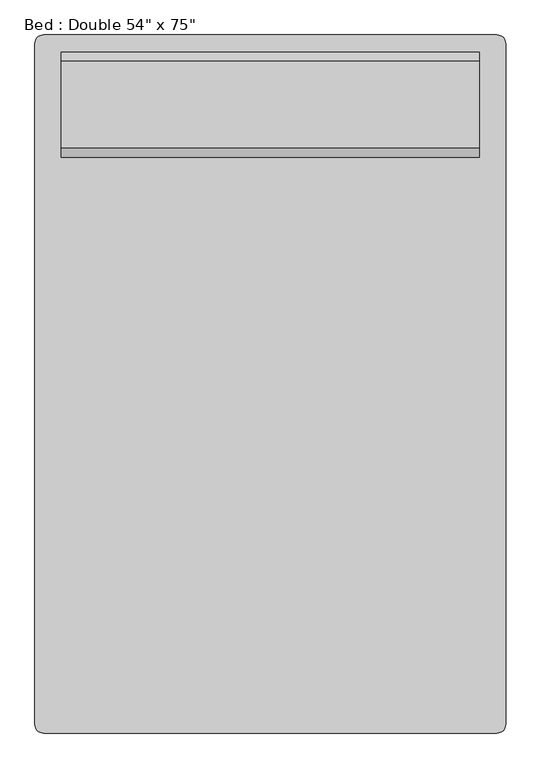
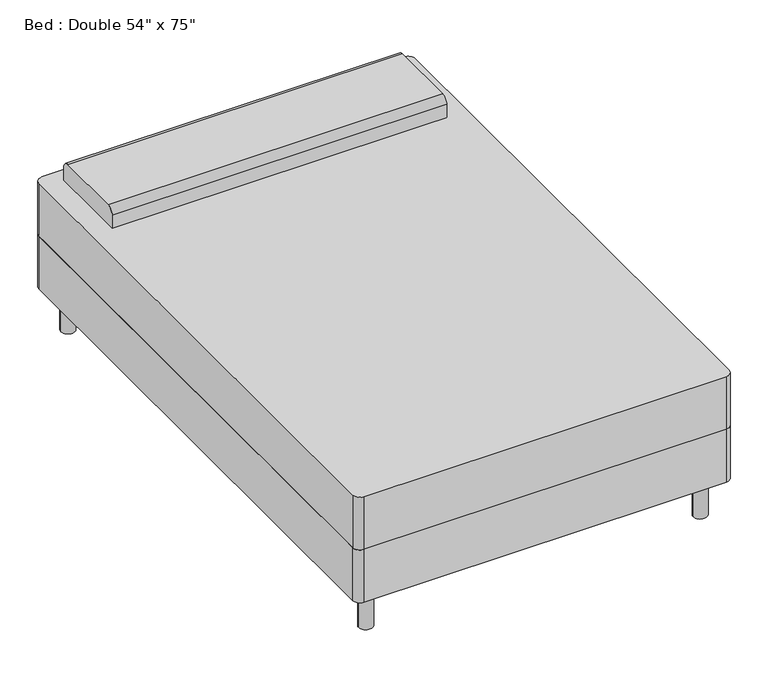
"""IFC4 building model written with IfcOpenShell, lengths in millimetres: furniture geometry."""

from ifc_helpers import new_model, si_unit, point, frame, frame_2d, origin, origin_with_axes, place, context, project, spatial, polyline, circle_curve, trimmed, segment, composite_curve, outline, extrude, source, transform, mapped, element, save


def furniture_718ac4c7(model_context):
    return source(origin(), model_context, "Body", "SweptSolid", [
        extrude(outline(composite_curve([segment(polyline([(-414.3114754, -1036.195082), (-414.3114754, 945.004918)]), True, "CONTINUOUS"), segment(trimmed(circle_curve(frame_2d((-388.9114754, 945.004918)), 25.4), [point((-414.3114754, 945.004918))], [point((-388.9114754, 970.404918))], False, "CARTESIAN"), True, "CONTINUOUS"), segment(polyline([(-388.9114754, 970.404918), (931.8885246, 970.404918)]), True, "CONTINUOUS"), segment(trimmed(circle_curve(frame_2d((931.8885246, 945.004918)), 25.4), [point((931.8885246, 970.404918))], [point((957.2885246, 945.004918))], False, "CARTESIAN"), True, "CONTINUOUS"), segment(polyline([(957.2885246, 945.004918), (957.2885246, -1036.195082)]), True, "CONTINUOUS"), segment(trimmed(circle_curve(frame_2d((931.8885246, -1036.195082)), 25.4), [point((957.2885246, -1036.195082))], [point((931.8885246, -1061.595082))], False, "CARTESIAN"), True, "CONTINUOUS"), segment(polyline([(931.8885246, -1061.595082), (-388.9114754, -1061.595082)]), True, "CONTINUOUS"), segment(trimmed(circle_curve(frame_2d((-388.9114754, -1036.195082)), 25.4), [point((-388.9114754, -1061.595082))], [point((-414.3114754, -1036.195082))], False, "CARTESIAN"), True, "CONTINUOUS")], self_intersect=False)), frame((0.0, 0.0, 152.4), z_axis=(0.0, 0.0, 1.0), x_axis=(1.0, 0.0, 0.0)), (0.0, 0.0, 1.0), 203.2),
        extrude(outline(composite_curve([segment(polyline([(614.804918, 558.8), (614.804918, 609.6)]), True, "CONTINUOUS"), segment(trimmed(circle_curve(frame_2d((640.204918, 609.6)), 25.4), [point((614.804918, 609.6))], [point((640.204918, 635.0))], False, "CARTESIAN"), True, "CONTINUOUS"), segment(polyline([(640.204918, 635.0), (894.204918, 635.0)]), True, "CONTINUOUS"), segment(trimmed(circle_curve(frame_2d((894.204918, 609.6)), 25.4), [point((894.204918, 635.0))], [point((919.604918, 609.6))], False, "CARTESIAN"), True, "CONTINUOUS"), segment(polyline([(919.604918, 609.6), (919.604918, 558.8), (614.804918, 558.8)]), True, "CONTINUOUS")], self_intersect=False)), frame((-338.1114754, 0.0, 0.0), z_axis=(1.0, 0.0, 0.0), x_axis=(0.0, 1.0, 0.0)), (0.0, 0.0, 1.0), 1219.2),
        extrude(outline(composite_curve([segment(trimmed(circle_curve(frame_2d((-338.1114754, 894.204918)), 25.4), [point((-363.5114754, 894.204918))], [point((-312.7114754, 894.204918))], False, "CARTESIAN"), True, "CONTINUOUS"), segment(trimmed(circle_curve(frame_2d((-338.1114754, 894.204918)), 25.4), [point((-312.7114754, 894.204918))], [point((-363.5114754, 894.204918))], False, "CARTESIAN"), True, "CONTINUOUS")], self_intersect=False)), origin_with_axes(), (0.0, 0.0, 1.0), 152.4),
        extrude(outline(composite_curve([segment(trimmed(circle_curve(frame_2d((881.0885246, 894.204918)), 25.4), [point((855.6885246, 894.204918))], [point((906.4885246, 894.204918))], False, "CARTESIAN"), True, "CONTINUOUS"), segment(trimmed(circle_curve(frame_2d((881.0885246, 894.204918)), 25.4), [point((906.4885246, 894.204918))], [point((855.6885246, 894.204918))], False, "CARTESIAN"), True, "CONTINUOUS")], self_intersect=False)), origin_with_axes(), (0.0, 0.0, 1.0), 152.4),
        extrude(outline(composite_curve([segment(trimmed(circle_curve(frame_2d((881.0885246, -985.395082)), 25.4), [point((855.6885246, -985.395082))], [point((906.4885246, -985.395082))], False, "CARTESIAN"), True, "CONTINUOUS"), segment(trimmed(circle_curve(frame_2d((881.0885246, -985.395082)), 25.4), [point((906.4885246, -985.395082))], [point((855.6885246, -985.395082))], False, "CARTESIAN"), True, "CONTINUOUS")], self_intersect=False)), origin_with_axes(), (0.0, 0.0, 1.0), 152.4),
        extrude(outline(composite_curve([segment(trimmed(circle_curve(frame_2d((-338.1114754, -985.395082)), 25.4), [point((-363.5114754, -985.395082))], [point((-312.7114754, -985.395082))], False, "CARTESIAN"), True, "CONTINUOUS"), segment(trimmed(circle_curve(frame_2d((-338.1114754, -985.395082)), 25.4), [point((-312.7114754, -985.395082))], [point((-363.5114754, -985.395082))], False, "CARTESIAN"), True, "CONTINUOUS")], self_intersect=False)), origin_with_axes(), (0.0, 0.0, 1.0), 152.4),
        extrude(outline(composite_curve([segment(polyline([(-388.9114754, 970.404918), (931.8885246, 970.404918)]), True, "CONTINUOUS"), segment(trimmed(circle_curve(frame_2d((931.8885246, 945.004918)), 25.4), [point((931.8885246, 970.404918))], [point((957.2885246, 945.004918))], False, "CARTESIAN"), True, "CONTINUOUS"), segment(polyline([(957.2885246, 945.004918), (957.2885246, -1036.195082)]), True, "CONTINUOUS"), segment(trimmed(circle_curve(frame_2d((931.8885246, -1036.195082)), 25.4), [point((957.2885246, -1036.195082))], [point((931.8885246, -1061.595082))], False, "CARTESIAN"), True, "CONTINUOUS"), segment(polyline([(931.8885246, -1061.595082), (-388.9114754, -1061.595082)]), True, "CONTINUOUS"), segment(trimmed(circle_curve(frame_2d((-388.9114754, -1036.195082)), 25.4), [point((-388.9114754, -1061.595082))], [point((-414.3114754, -1036.195082))], False, "CARTESIAN"), True, "CONTINUOUS"), segment(polyline([(-414.3114754, -1036.195082), (-414.3114754, 945.004918)]), True, "CONTINUOUS"), segment(trimmed(circle_curve(frame_2d((-388.9114754, 945.004918)), 25.4), [point((-414.3114754, 945.004918))], [point((-388.9114754, 970.404918))], False, "CARTESIAN"), True, "CONTINUOUS")], self_intersect=False)), frame((0.0, 0.0, 355.6), z_axis=(0.0, 0.0, 1.0), x_axis=(1.0, 0.0, 0.0)), (0.0, 0.0, 1.0), 203.2),
    ])


if __name__ == "__main__":
    model = new_model("IFC4")
    model_context = context("Model", 3, world=origin())
    ifc_project = project(units=[si_unit("LENGTHUNIT", "METRE", prefix="MILLI")], contexts=[model_context])
    site = spatial("IfcSite", under=ifc_project)
    building = spatial("IfcBuilding", under=site)
    placement = place(None, origin())
    furniture_shape = furniture_718ac4c7(model_context)
    element("IfcFurniture", 1, ObjectType="Bed : Double 54\" x 75\"", at=placement, inside=building, context=model_context, shape_type="MappedRepresentation", body=[
        mapped(furniture_shape, transform((0.0, 0.0, 0.0), x_axis=(1.0, 0.0, 0.0), y_axis=(0.0, 1.0, 0.0), z_axis=(0.0, 0.0, 1.0))),
    ])
    save(model, "model.ifc")
